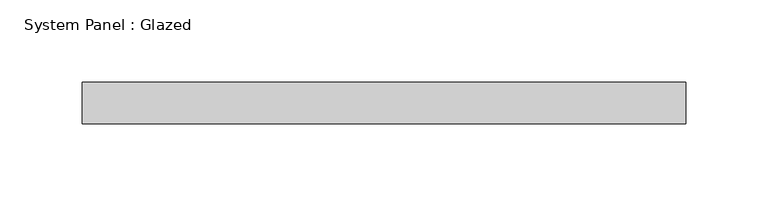
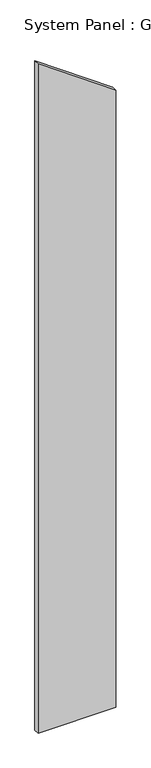
"""IFC4 building model written with IfcOpenShell, lengths in millimetres: plate geometry, System Panel : Glazed."""

import ifcopenshell
import ifcopenshell.guid

model = None  # the IFC model being written
_history = None  # IfcOwnerHistory: only IFC2X3 demands one
_inside = {}  # id of a spatial element -> (the spatial element, [elements in it])
_under = {}  # id of a project, library or spatial element -> (it, [spatial elements below it])
_declared = {}  # id of a project -> (the project, [libraries it declares])
_typed = {}  # id of a type object -> (the type object, [elements of that type])
_made_of = {}  # id of a material, layer set ... -> (it, [elements and type objects made of it])


def new_model(schema):
    """Start an empty IFC model of exactly this schema.

    Asked for "IFC4X3", IfcOpenShell would pick the latest addendum, in which some entities
    have other attributes; the version numbers below select the first issue.
    IFC2X3 requires an IfcOwnerHistory on every rooted entity: one is made here for all.
    """
    global model, _history
    if schema == "IFC4X3":
        model = ifcopenshell.file(schema_version=(4, 3, 0, 0))
    else:
        model = ifcopenshell.file(schema=schema)
    _inside.clear()
    _under.clear()
    _declared.clear()
    _typed.clear()
    _made_of.clear()
    _history = None
    if model.schema == "IFC2X3":
        org = make("IfcOrganization", Name="unknown")
        user = make(
            "IfcPersonAndOrganization",
            ThePerson=make("IfcPerson", FamilyName="unknown"),
            TheOrganization=org,
        )
        app = make(
            "IfcApplication",
            ApplicationDeveloper=org,
            Version="unknown",
            ApplicationFullName="unknown",
            ApplicationIdentifier="unknown",
        )
        _history = make(
            "IfcOwnerHistory",
            OwningUser=user,
            OwningApplication=app,
            ChangeAction="ADDED",
            CreationDate=0,
        )
    return model


def make(cls, **values):
    """One entity of the class cls with the attributes given. An attribute that is None is left unset."""
    return model.create_entity(
        cls, **{name: value for name, value in values.items() if value is not None}
    )


def rooted(cls, **values):
    """An entity with a GlobalId (a new one), such as an element, a storey or a relation."""
    return make(cls, GlobalId=ifcopenshell.guid.new(), OwnerHistory=_history, **values)


def si_unit(unit_type, name, prefix=None):
    """IfcSIUnit, for example si_unit("LENGTHUNIT", "METRE", prefix="MILLI")."""
    return make("IfcSIUnit", UnitType=unit_type, Prefix=prefix, Name=name)


def assignment(units):
    """IfcUnitAssignment: the units of a project."""
    return None if units is None else make("IfcUnitAssignment", Units=units)


def point(xyz):
    """IfcCartesianPoint."""
    return None if xyz is None else make("IfcCartesianPoint", Coordinates=xyz)


def direction(xyz):
    """IfcDirection."""
    return None if xyz is None else make("IfcDirection", DirectionRatios=xyz)


def frame(location, z_axis=None, x_axis=None):
    """IfcAxis2Placement3D, a coordinate frame: its origin and axes. An axis left out is left unset."""
    return make(
        "IfcAxis2Placement3D",
        Location=point(location),
        Axis=direction(z_axis),
        RefDirection=direction(x_axis),
    )


def origin():
    """The frame at (0, 0, 0) with its axes left unset."""
    return frame((0.0, 0.0, 0.0))


def place(relative_to, where):
    """IfcLocalPlacement: puts the frame where relative to a parent placement (None: the world)."""
    return make(
        "IfcLocalPlacement", PlacementRelTo=relative_to, RelativePlacement=where
    )


def context(
    kind, dimensions, precision=None, world=None, true_north=None, identifier=None
):
    """IfcGeometricRepresentationContext, for example the 3D "Model" context."""
    return make(
        "IfcGeometricRepresentationContext",
        ContextIdentifier=identifier,
        ContextType=kind,
        CoordinateSpaceDimension=dimensions,
        Precision=precision,
        WorldCoordinateSystem=world,
        TrueNorth=true_north,
    )


def project(units=None, contexts=None):
    """IfcProject with its units and contexts."""
    return rooted(
        "IfcProject",
        Name="project",
        RepresentationContexts=contexts,
        UnitsInContext=assignment(units),
    )


def spatial(cls, under=None, at=None, **own):
    """A site, building, storey or space (cls), placed at a placement, below another one or the project."""
    s = rooted(cls, ObjectPlacement=at, **own)
    if under is not None:
        _under.setdefault(under.id(), (under, []))[1].append(s)
    return s


def polyline(points):
    """IfcPolyline through the points."""
    return make("IfcPolyline", Points=[point(p) for p in points])


def outline(outer, holes=None, kind="AREA"):
    """IfcArbitraryClosedProfileDef: a profile drawn as a closed curve; with holes, ...WithVoids."""
    if holes is None:
        return make("IfcArbitraryClosedProfileDef", ProfileType=kind, OuterCurve=outer)
    return make(
        "IfcArbitraryProfileDefWithVoids",
        ProfileType=kind,
        OuterCurve=outer,
        InnerCurves=holes,
    )


def extrude(swept, where, along, depth):
    """IfcExtrudedAreaSolid: the profile swept, set in the frame where, extruded along a direction by depth."""
    return make(
        "IfcExtrudedAreaSolid",
        SweptArea=swept,
        Position=where,
        ExtrudedDirection=direction(along),
        Depth=depth,
    )


def shape(context_of_items, identifier, shape_type, items):
    """IfcShapeRepresentation: the items that make up one representation, for example the "Body"."""
    return make(
        "IfcShapeRepresentation",
        ContextOfItems=context_of_items,
        RepresentationIdentifier=identifier,
        RepresentationType=shape_type,
        Items=items,
    )


def source(mapping_origin, context_of_items, identifier, shape_type, items):
    """IfcRepresentationMap: a shape defined once, which mapped items show again and again."""
    return make(
        "IfcRepresentationMap",
        MappingOrigin=mapping_origin,
        MappedRepresentation=shape(context_of_items, identifier, shape_type, items),
    )


def transform(
    local_origin,
    x_axis=None,
    y_axis=None,
    z_axis=None,
    scale=None,
    scale2=None,
    scale3=None,
    uniform=True,
):
    """IfcCartesianTransformationOperator3D, or its non-uniform kind. x_axis, y_axis, z_axis: its Axis1, 2, 3."""
    if uniform:
        return make(
            "IfcCartesianTransformationOperator3D",
            Axis1=direction(x_axis),
            Axis2=direction(y_axis),
            LocalOrigin=point(local_origin),
            Scale=scale,
            Axis3=direction(z_axis),
        )
    return make(
        "IfcCartesianTransformationOperator3DnonUniform",
        Axis1=direction(x_axis),
        Axis2=direction(y_axis),
        LocalOrigin=point(local_origin),
        Scale=scale,
        Axis3=direction(z_axis),
        Scale2=scale2,
        Scale3=scale3,
    )


def mapped(mapping_source, mapping_target):
    """IfcMappedItem: shows the shape of a source again, moved by a transform."""
    return make(
        "IfcMappedItem", MappingSource=mapping_source, MappingTarget=mapping_target
    )


def made_of(thing, what):
    """Note that an element or type object is made of a material, layer set ...; save() writes the relation."""
    if what is not None:
        _made_of.setdefault(what.id(), (what, []))[1].append(thing)
    return thing


def element(
    cls,
    number,
    at=None,
    inside=None,
    cuts=None,
    type_object=None,
    material=None,
    context=None,
    identifier="Body",
    shape_type=None,
    held_by="IfcProductDefinitionShape",
    body=None,
    shapes=None,
    **own,
):
    """One element of the class cls, such as IfcWall. Its Tag is "e" and its number.

    at: its placement. inside: the storey or other place that contains it. cuts: it is an
    opening in that element (IfcRelVoidsElement). A single representation is given by context,
    identifier, shape_type and body (its items); several are given by shapes. held_by: the class
    of the entity that holds the representations. save() writes the other relations.
    """
    e = rooted(cls, Tag="e%d" % number, ObjectPlacement=at, **own)
    if body is not None:
        shapes = [shape(context, identifier, shape_type, body)]
    if shapes is not None:
        e.Representation = make(held_by, Representations=shapes)
    if inside is not None:
        _inside.setdefault(inside.id(), (inside, []))[1].append(e)
    if cuts is not None:
        rooted(
            "IfcRelVoidsElement", RelatingBuildingElement=cuts, RelatedOpeningElement=e
        )
    if type_object is not None:
        _typed.setdefault(type_object.id(), (type_object, []))[1].append(e)
    return made_of(e, material)


def aggregate(whole, parts):
    """IfcRelAggregates: a whole, such as a stair, and the parts it consists of."""
    return rooted("IfcRelAggregates", RelatingObject=whole, RelatedObjects=parts)


def save(model, path):
    """Write the relations noted so far, then the file.

    IfcRelAggregates (storeys below a building ...), IfcRelContainedInSpatialStructure (elements
    in a storey), IfcRelDefinesByType, IfcRelAssociatesMaterial and IfcRelDeclares: one each for
    every whole, place, type object, material and project.
    """
    for whole, parts in _under.values():
        aggregate(whole, parts)
    for where, things in _inside.values():
        rooted(
            "IfcRelContainedInSpatialStructure",
            RelatedElements=things,
            RelatingStructure=where,
        )
    for kind, things in _typed.values():
        rooted("IfcRelDefinesByType", RelatedObjects=things, RelatingType=kind)
    for what, things in _made_of.values():
        rooted("IfcRelAssociatesMaterial", RelatedObjects=things, RelatingMaterial=what)
    for by, libraries in _declared.values():
        rooted("IfcRelDeclares", RelatingContext=by, RelatedDefinitions=libraries)
    model.write(path)


def system_panel_glazed_c1b76019(model_context):
    return source(origin(), model_context, "Body", "SweptSolid", [
        extrude(outline(polyline([(0.0, -184.025338), (0.0, 184.025338), (3086.1, 184.025338), (3348.554875, -184.025338), (0.0, -184.025338)])), frame((0.0, 19.05, 0.0), z_axis=(0.0, 1.0, 0.0), x_axis=(0.0, 0.0, 1.0)), (0.0, 0.0, 1.0), 25.4),
    ])


if __name__ == "__main__":
    model = new_model("IFC4")
    model_context = context("Model", 3, world=origin())
    ifc_project = project(units=[si_unit("LENGTHUNIT", "METRE", prefix="MILLI")], contexts=[model_context])
    site = spatial("IfcSite", under=ifc_project)
    building = spatial("IfcBuilding", under=site)
    placement = place(None, origin())
    system_panel_glazed_shape = system_panel_glazed_c1b76019(model_context)
    element("IfcPlate", 1, ObjectType="System Panel : Glazed", at=placement, inside=building, context=model_context, shape_type="MappedRepresentation", body=[
        mapped(system_panel_glazed_shape, transform((0.0, 0.0, 0.0), x_axis=(1.0, 0.0, 0.0), y_axis=(0.0, 1.0, 0.0), z_axis=(0.0, 0.0, 1.0))),
    ])
    save(model, "model.ifc")
